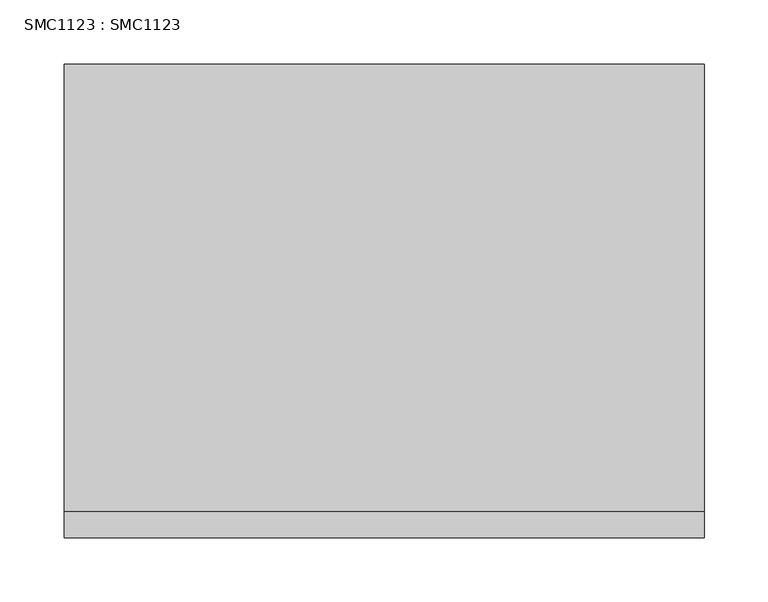
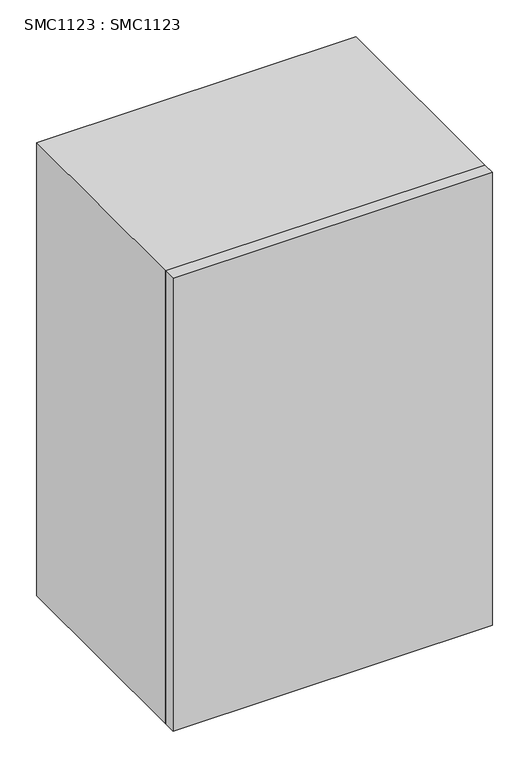
"""IFC4 building model written with IfcOpenShell, lengths in millimetres: proxy geometry, SMC1123 : SMC1123."""

from ifc_helpers import new_model, si_unit, origin, origin_with_axes, place, context, project, spatial, polyline, outline, extrude, source, transform, mapped, element, save


def smc1123_smc1123_d8cc2385(model_context):
    return source(origin(), model_context, "Body", "SweptSolid", [
        extrude(outline(polyline([(500.0, -349.9999853), (500.0, -370.0), (0.0, -370.0), (0.0, -349.9999853), (500.0, -349.9999853)])), origin_with_axes(), (0.0, 0.0, 1.0), 750.0000057),
        extrude(outline(polyline([(500.0, 0.0), (500.0, -349.9999853), (0.0, -349.9999853), (0.0, 0.0), (500.0, 0.0)])), origin_with_axes(), (0.0, 0.0, 1.0), 750.0000057),
    ])


if __name__ == "__main__":
    model = new_model("IFC4")
    model_context = context("Model", 3, world=origin())
    ifc_project = project(units=[si_unit("LENGTHUNIT", "METRE", prefix="MILLI")], contexts=[model_context])
    site = spatial("IfcSite", under=ifc_project)
    building = spatial("IfcBuilding", under=site)
    placement = place(None, origin())
    smc1123_smc1123_shape = smc1123_smc1123_d8cc2385(model_context)
    element("IfcBuildingElementProxy", 1, Name="SMC1123 : SMC1123", ObjectType="SMC1123 : SMC1123", at=placement, inside=building, context=model_context, shape_type="MappedRepresentation", body=[
        mapped(smc1123_smc1123_shape, transform((0.0, 0.0, 0.0), x_axis=(1.0, 0.0, 0.0), y_axis=(0.0, 1.0, 0.0), z_axis=(0.0, 0.0, 1.0))),
    ])
    save(model, "model.ifc")
